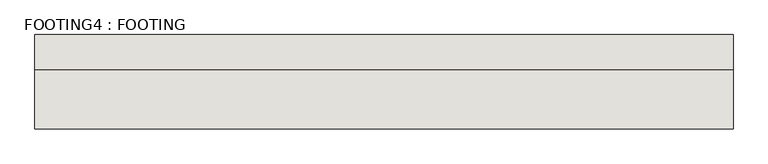
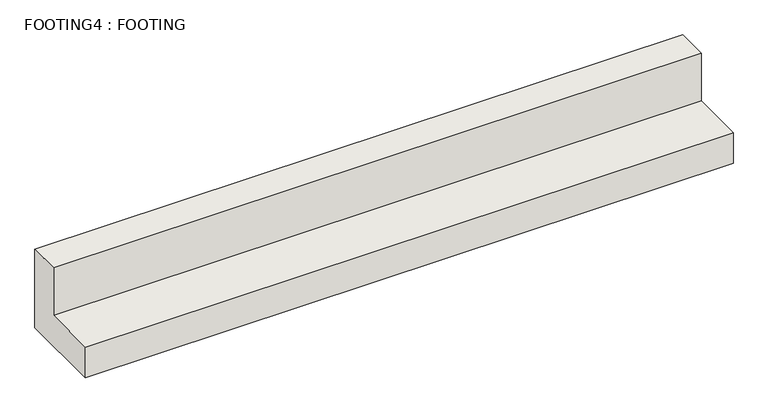
"""IFC4 building model written with IfcOpenShell, lengths in millimetres: wall geometry, FOOTING4 : FOOTING."""

from ifc_helpers import new_model, si_unit, frame, origin, place, context, project, spatial, polyline, outline, extrude, source, transform, mapped, element, save


def footing4_footing_78072192(model_context):
    return source(origin(), model_context, "Body", "SweptSolid", [
        extrude(outline(polyline([(5252.1992817, 830.9981757), (5252.1992817, 507.1481757), (4909.2992817, 507.1481757), (4909.2992817, 634.1481757), (5125.1992817, 634.1481757), (5125.1992817, 830.9981757), (5252.1992817, 830.9981757)])), frame((-1698.5606997, 0.0, 0.0), z_axis=(1.0, 0.0, 0.0), x_axis=(0.0, 1.0, 0.0)), (0.0, 0.0, 1.0), 2540.0),
    ])


if __name__ == "__main__":
    model = new_model("IFC4")
    model_context = context("Model", 3, world=origin())
    ifc_project = project(units=[si_unit("LENGTHUNIT", "METRE", prefix="MILLI")], contexts=[model_context])
    site = spatial("IfcSite", under=ifc_project)
    building = spatial("IfcBuilding", under=site)
    placement = place(None, origin())
    footing4_footing_shape = footing4_footing_78072192(model_context)
    element("IfcWall", 1, ObjectType="FOOTING4 : FOOTING", at=placement, inside=building, context=model_context, shape_type="MappedRepresentation", body=[
        mapped(footing4_footing_shape, transform((0.0, 0.0, 0.0), x_axis=(1.0, 0.0, 0.0), y_axis=(0.0, 1.0, 0.0), z_axis=(0.0, 0.0, 1.0))),
    ])
    save(model, "model.ifc")
